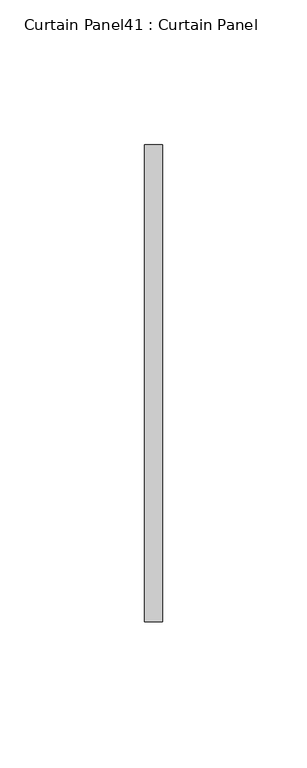
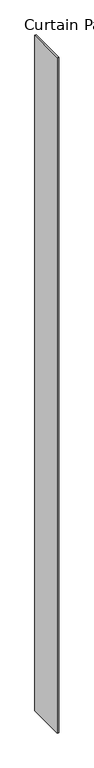
"""IFC4 building model written with IfcOpenShell, lengths in millimetres: plate geometry, Curtain Panel41 : Curtain Panel."""

from ifc_helpers import new_model, si_unit, frame, origin, place, context, project, spatial, polyline, outline, extrude, source, transform, mapped, element, save


def curtain_panel41_curtain_panel_8ef6b37b(model_context):
    return source(origin(), model_context, "Body", "SweptSolid", [
        extrude(outline(polyline([(862743.5801138, 2337.0464294), (862743.5801138, 2171.9339346), (862737.2301138, 2171.9339346), (862737.2301138, 2337.0464294), (862743.5801138, 2337.0464294)])), frame((0.0, 0.0, 3136.8926964), z_axis=(0.0, 0.0, 1.0), x_axis=(1.0, 0.0, 0.0)), (0.0, 0.0, 1.0), 3048.0),
    ])


if __name__ == "__main__":
    model = new_model("IFC4")
    model_context = context("Model", 3, world=origin())
    ifc_project = project(units=[si_unit("LENGTHUNIT", "METRE", prefix="MILLI")], contexts=[model_context])
    site = spatial("IfcSite", under=ifc_project)
    building = spatial("IfcBuilding", under=site)
    placement = place(None, origin())
    curtain_panel41_curtain_panel_shape = curtain_panel41_curtain_panel_8ef6b37b(model_context)
    element("IfcPlate", 1, ObjectType="Curtain Panel41 : Curtain Panel", at=placement, inside=building, context=model_context, shape_type="MappedRepresentation", body=[
        mapped(curtain_panel41_curtain_panel_shape, transform((0.0, 0.0, 0.0), x_axis=(1.0, 0.0, 0.0), y_axis=(0.0, 1.0, 0.0), z_axis=(0.0, 0.0, 1.0))),
    ])
    save(model, "model.ifc")
